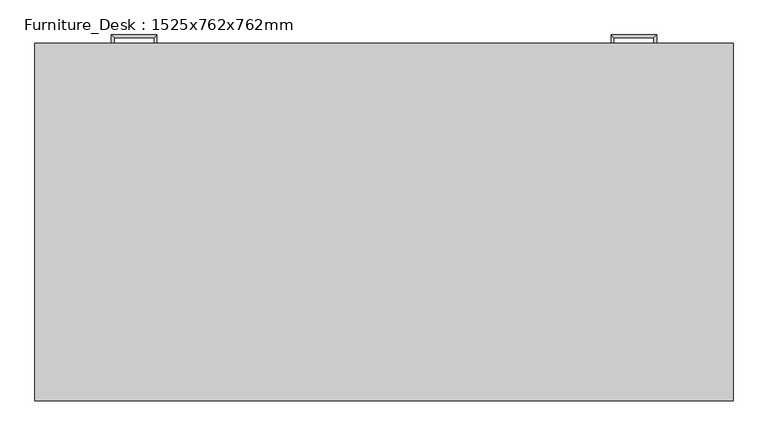
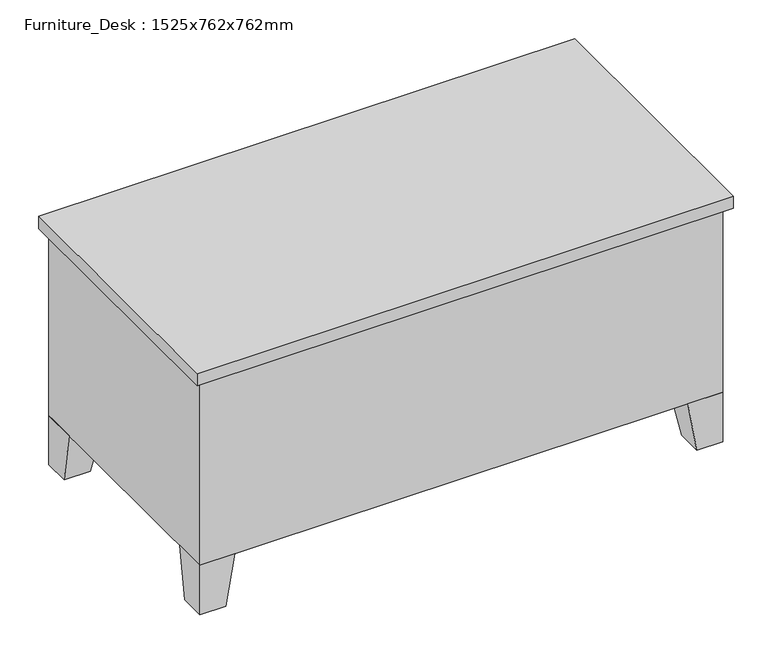
"""IFC4 building model written with IfcOpenShell, lengths in millimetres: furniture geometry, Furniture_Desk : 1525x762x762mm."""

from ifc_helpers import new_model, si_unit, frame, origin, place, context, project, spatial, polyline, outline, extrude, faceted_brep, source, transform, mapped, element, save


def furniture_desk_1525x762x762mm_aed207d5(model_context):
    return source(origin(), model_context, "Body", "SolidModel", [
        extrude(outline(polyline([(1505.95, 762.0), (1137.65, 762.0), (1137.65, 774.7), (1505.95, 774.7), (1505.95, 762.0)])), frame((0.0, 0.0, 603.25), z_axis=(0.0, 0.0, 1.0), x_axis=(1.0, 0.0, 0.0)), (0.0, 0.0, 1.0), 101.6),
        extrude(outline(polyline([(1505.95, 762.0), (1137.65, 762.0), (1137.65, 774.7), (1505.95, 774.7), (1505.95, 762.0)])), frame((0.0, 0.0, 171.05), z_axis=(0.0, 0.0, 1.0), x_axis=(1.0, 0.0, 0.0)), (0.0, 0.0, 1.0), 413.15),
        extrude(outline(polyline([(387.35, 762.0), (19.05, 762.0), (19.05, 774.7), (387.35, 774.7), (387.35, 762.0)])), frame((0.0, 0.0, 602.85), z_axis=(0.0, 0.0, 1.0), x_axis=(1.0, 0.0, 0.0)), (0.0, 0.0, 1.0), 102.0),
        extrude(outline(polyline([(387.35, 762.0), (19.05, 762.0), (19.05, 774.7), (387.35, 774.7), (387.35, 762.0)])), frame((0.0, 0.0, 171.05), z_axis=(0.0, 0.0, 1.0), x_axis=(1.0, 0.0, 0.0)), (0.0, 0.0, 1.0), 171.45),
        extrude(outline(polyline([(387.35, 762.0), (19.05, 762.0), (19.05, 774.7), (387.35, 774.7), (387.35, 762.0)])), frame((0.0, 0.0, 482.2), z_axis=(0.0, 0.0, 1.0), x_axis=(1.0, 0.0, 0.0)), (0.0, 0.0, 1.0), 101.6),
        extrude(outline(polyline([(387.35, 762.0), (19.05, 762.0), (19.05, 774.7), (387.35, 774.7), (387.35, 762.0)])), frame((0.0, 0.0, 361.55), z_axis=(0.0, 0.0, 1.0), x_axis=(1.0, 0.0, 0.0)), (0.0, 0.0, 1.0), 101.6),
        faceted_brep([(1423.4, 762.0, 152.0), (1423.4, 660.4, 152.0), (1525.0, 660.4, 152.0), (1525.0, 762.0, 152.0), (1448.8, 762.0, 0.0), (1525.0, 762.0, 0.0), (1525.0, 685.8, 0.0), (1448.8, 685.8, 0.0)], [[[0, 1, 2, 3]], [[4, 5, 6, 7]], [[4, 7, 1, 0]], [[7, 6, 2, 1]], [[6, 5, 3, 2]], [[5, 4, 0, 3]]]),
        faceted_brep([(1423.4, 0.0, 152.0), (1525.0, 0.0, 152.0), (1525.0, 101.6, 152.0), (1423.4, 101.6, 152.0), (1448.8, 0.0, 0.0), (1448.8, 76.2, 0.0), (1525.0, 76.2, 0.0), (1525.0, 0.0, 0.0)], [[[0, 1, 2, 3]], [[4, 5, 6, 7]], [[4, 7, 1, 0]], [[7, 6, 2, 1]], [[6, 5, 3, 2]], [[5, 4, 0, 3]]]),
        faceted_brep([(101.6, 0.0, 152.0), (101.6, 101.6, 152.0), (0.0, 101.6, 152.0), (0.0, 0.0, 152.0), (76.2, 0.0, 0.0), (0.0, 0.0, 0.0), (0.0, 76.2, 0.0), (76.2, 76.2, 0.0)], [[[0, 1, 2, 3]], [[4, 5, 6, 7]], [[4, 7, 1, 0]], [[7, 6, 2, 1]], [[6, 5, 3, 2]], [[5, 4, 0, 3]]]),
        faceted_brep([(101.6, 762.0, 152.0), (0.0, 762.0, 152.0), (0.0, 660.4, 152.0), (101.6, 660.4, 152.0), (76.2, 762.0, 0.0), (76.2, 685.8, 0.0), (0.0, 685.8, 0.0), (0.0, 762.0, 0.0)], [[[0, 1, 2, 3]], [[4, 5, 6, 7]], [[4, 7, 1, 0]], [[7, 6, 2, 1]], [[6, 5, 3, 2]], [[5, 4, 0, 3]]]),
        extrude(outline(polyline([(1544.05, 781.05), (1544.05, -19.05), (-19.05, -19.05), (-19.05, 781.05), (1544.05, 781.05)])), frame((0.0, 0.0, 723.9), z_axis=(0.0, 0.0, 1.0), x_axis=(1.0, 0.0, 0.0)), (0.0, 0.0, 1.0), 38.1),
        extrude(outline(polyline([(406.4, 762.0), (406.4, 50.8), (1118.6, 50.8), (1118.6, 762.0), (1525.0, 762.0), (1525.0, 0.0), (0.0, 0.0), (0.0, 762.0), (406.4, 762.0)])), frame((0.0, 0.0, 152.0), z_axis=(0.0, 0.0, 1.0), x_axis=(1.0, 0.0, 0.0)), (0.0, 0.0, 1.0), 571.9),
        faceted_brep([(1366.25, 774.7, 546.1), (1366.25, 774.7, 533.4), (1372.6, 774.7, 533.4), (1372.6, 774.7, 546.1), (1366.25, 793.75, 546.1), (1366.25, 793.75, 533.4), (1372.6, 800.1, 533.4), (1372.6, 800.1, 546.1), (1277.35, 793.75, 546.1), (1277.35, 793.75, 533.4), (1271.0, 800.1, 533.4), (1271.0, 800.1, 546.1), (1277.35, 774.7, 546.1), (1271.0, 774.7, 546.1), (1271.0, 774.7, 533.4), (1277.35, 774.7, 533.4)], [[[0, 1, 2, 3]], [[1, 0, 4, 5]], [[2, 1, 5, 6]], [[3, 2, 6, 7]], [[0, 3, 7, 4]], [[5, 4, 8, 9]], [[6, 5, 9, 10]], [[7, 6, 10, 11]], [[4, 7, 11, 8]], [[12, 13, 14, 15]], [[9, 8, 12, 15]], [[10, 9, 15, 14]], [[11, 10, 14, 13]], [[8, 11, 13, 12]]]),
        faceted_brep([(1366.25, 774.7, 666.75), (1366.25, 774.7, 654.05), (1372.6, 774.7, 654.05), (1372.6, 774.7, 666.75), (1366.25, 793.75, 666.75), (1366.25, 793.75, 654.05), (1372.6, 800.1, 654.05), (1372.6, 800.1, 666.75), (1277.35, 793.75, 666.75), (1277.35, 793.75, 654.05), (1271.0, 800.1, 654.05), (1271.0, 800.1, 666.75), (1277.35, 774.7, 666.75), (1271.0, 774.7, 666.75), (1271.0, 774.7, 654.05), (1277.35, 774.7, 654.05)], [[[0, 1, 2, 3]], [[1, 0, 4, 5]], [[2, 1, 5, 6]], [[3, 2, 6, 7]], [[0, 3, 7, 4]], [[5, 4, 8, 9]], [[6, 5, 9, 10]], [[7, 6, 10, 11]], [[4, 7, 11, 8]], [[12, 13, 14, 15]], [[9, 8, 12, 15]], [[10, 9, 15, 14]], [[11, 10, 14, 13]], [[8, 11, 13, 12]]]),
        faceted_brep([(158.75, 774.7, 304.8), (152.4, 774.7, 304.8), (152.4, 774.7, 292.1), (158.75, 774.7, 292.1), (158.75, 793.75, 304.8), (152.4, 800.1, 304.8), (152.4, 800.1, 292.1), (158.75, 793.75, 292.1), (247.65, 793.75, 304.8), (254.0, 800.1, 304.8), (254.0, 800.1, 292.1), (247.65, 793.75, 292.1), (247.65, 774.7, 304.8), (247.65, 774.7, 292.1), (254.0, 774.7, 292.1), (254.0, 774.7, 304.8)], [[[0, 1, 2, 3]], [[1, 0, 4, 5]], [[2, 1, 5, 6]], [[3, 2, 6, 7]], [[0, 3, 7, 4]], [[5, 4, 8, 9]], [[6, 5, 9, 10]], [[7, 6, 10, 11]], [[4, 7, 11, 8]], [[12, 13, 14, 15]], [[9, 8, 12, 15]], [[10, 9, 15, 14]], [[11, 10, 14, 13]], [[8, 11, 13, 12]]]),
        faceted_brep([(158.75, 774.7, 425.45), (152.4, 774.7, 425.45), (152.4, 774.7, 412.75), (158.75, 774.7, 412.75), (158.75, 793.75, 425.45), (152.4, 800.1, 425.45), (152.4, 800.1, 412.75), (158.75, 793.75, 412.75), (247.65, 793.75, 425.45), (254.0, 800.1, 425.45), (254.0, 800.1, 412.75), (247.65, 793.75, 412.75), (247.65, 774.7, 425.45), (247.65, 774.7, 412.75), (254.0, 774.7, 412.75), (254.0, 774.7, 425.45)], [[[0, 1, 2, 3]], [[1, 0, 4, 5]], [[2, 1, 5, 6]], [[3, 2, 6, 7]], [[0, 3, 7, 4]], [[5, 4, 8, 9]], [[6, 5, 9, 10]], [[7, 6, 10, 11]], [[4, 7, 11, 8]], [[12, 13, 14, 15]], [[9, 8, 12, 15]], [[10, 9, 15, 14]], [[11, 10, 14, 13]], [[8, 11, 13, 12]]]),
        faceted_brep([(158.75, 774.7, 546.1), (152.4, 774.7, 546.1), (152.4, 774.7, 533.4), (158.75, 774.7, 533.4), (158.75, 793.75, 546.1), (152.4, 800.1, 546.1), (152.4, 800.1, 533.4), (158.75, 793.75, 533.4), (247.65, 793.75, 546.1), (254.0, 800.1, 546.1), (254.0, 800.1, 533.4), (247.65, 793.75, 533.4), (247.65, 774.7, 546.1), (247.65, 774.7, 533.4), (254.0, 774.7, 533.4), (254.0, 774.7, 546.1)], [[[0, 1, 2, 3]], [[1, 0, 4, 5]], [[2, 1, 5, 6]], [[3, 2, 6, 7]], [[0, 3, 7, 4]], [[5, 4, 8, 9]], [[6, 5, 9, 10]], [[7, 6, 10, 11]], [[4, 7, 11, 8]], [[12, 13, 14, 15]], [[9, 8, 12, 15]], [[10, 9, 15, 14]], [[11, 10, 14, 13]], [[8, 11, 13, 12]]]),
        faceted_brep([(158.75, 774.7, 666.75), (152.4, 774.7, 666.75), (152.4, 774.7, 654.05), (158.75, 774.7, 654.05), (158.75, 793.75, 666.75), (152.4, 800.1, 666.75), (152.4, 800.1, 654.05), (158.75, 793.75, 654.05), (247.65, 793.75, 666.75), (254.0, 800.1, 666.75), (254.0, 800.1, 654.05), (247.65, 793.75, 654.05), (247.65, 774.7, 666.75), (247.65, 774.7, 654.05), (254.0, 774.7, 654.05), (254.0, 774.7, 666.75)], [[[0, 1, 2, 3]], [[1, 0, 4, 5]], [[2, 1, 5, 6]], [[3, 2, 6, 7]], [[0, 3, 7, 4]], [[5, 4, 8, 9]], [[6, 5, 9, 10]], [[7, 6, 10, 11]], [[4, 7, 11, 8]], [[12, 13, 14, 15]], [[9, 8, 12, 15]], [[10, 9, 15, 14]], [[11, 10, 14, 13]], [[8, 11, 13, 12]]]),
    ])


if __name__ == "__main__":
    model = new_model("IFC4")
    model_context = context("Model", 3, world=origin())
    ifc_project = project(units=[si_unit("LENGTHUNIT", "METRE", prefix="MILLI")], contexts=[model_context])
    site = spatial("IfcSite", under=ifc_project)
    building = spatial("IfcBuilding", under=site)
    placement = place(None, origin())
    furniture_desk_1525x762x762mm_shape = furniture_desk_1525x762x762mm_aed207d5(model_context)
    element("IfcFurniture", 1, ObjectType="Furniture_Desk : 1525x762x762mm", at=placement, inside=building, context=model_context, shape_type="MappedRepresentation", body=[
        mapped(furniture_desk_1525x762x762mm_shape, transform((0.0, 0.0, 0.0), x_axis=(1.0, 0.0, 0.0), y_axis=(0.0, 1.0, 0.0), z_axis=(0.0, 0.0, 1.0))),
    ])
    save(model, "model.ifc")
